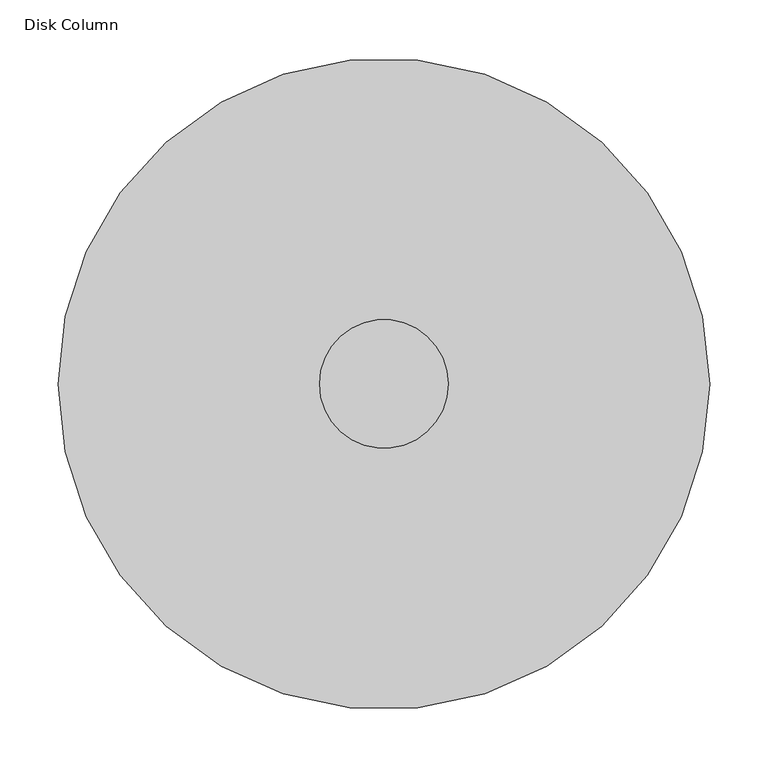
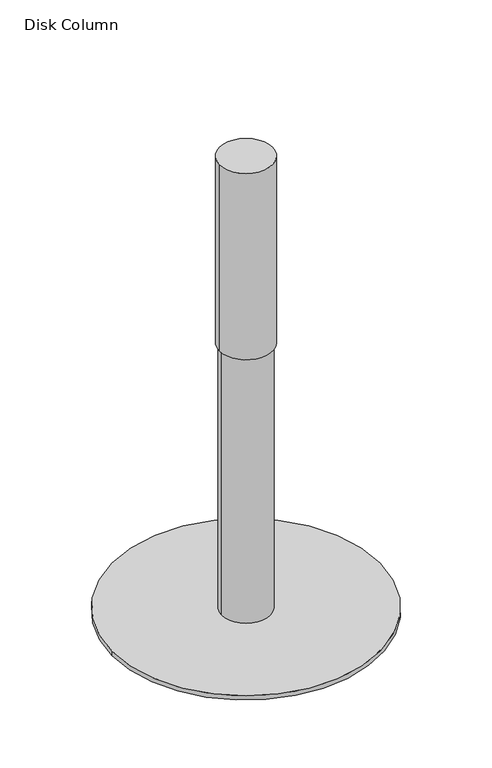
"""IFC4 building model written with IfcOpenShell, lengths in millimetres: furniture geometry, Disk Column."""

import ifcopenshell
import ifcopenshell.guid

model = None  # the IFC model being written
_history = None  # IfcOwnerHistory: only IFC2X3 demands one
_inside = {}  # id of a spatial element -> (the spatial element, [elements in it])
_under = {}  # id of a project, library or spatial element -> (it, [spatial elements below it])
_declared = {}  # id of a project -> (the project, [libraries it declares])
_typed = {}  # id of a type object -> (the type object, [elements of that type])
_made_of = {}  # id of a material, layer set ... -> (it, [elements and type objects made of it])


def new_model(schema):
    """Start an empty IFC model of exactly this schema.

    Asked for "IFC4X3", IfcOpenShell would pick the latest addendum, in which some entities
    have other attributes; the version numbers below select the first issue.
    IFC2X3 requires an IfcOwnerHistory on every rooted entity: one is made here for all.
    """
    global model, _history
    if schema == "IFC4X3":
        model = ifcopenshell.file(schema_version=(4, 3, 0, 0))
    else:
        model = ifcopenshell.file(schema=schema)
    _inside.clear()
    _under.clear()
    _declared.clear()
    _typed.clear()
    _made_of.clear()
    _history = None
    if model.schema == "IFC2X3":
        org = make("IfcOrganization", Name="unknown")
        user = make(
            "IfcPersonAndOrganization",
            ThePerson=make("IfcPerson", FamilyName="unknown"),
            TheOrganization=org,
        )
        app = make(
            "IfcApplication",
            ApplicationDeveloper=org,
            Version="unknown",
            ApplicationFullName="unknown",
            ApplicationIdentifier="unknown",
        )
        _history = make(
            "IfcOwnerHistory",
            OwningUser=user,
            OwningApplication=app,
            ChangeAction="ADDED",
            CreationDate=0,
        )
    return model


def make(cls, **values):
    """One entity of the class cls with the attributes given. An attribute that is None is left unset."""
    return model.create_entity(
        cls, **{name: value for name, value in values.items() if value is not None}
    )


def rooted(cls, **values):
    """An entity with a GlobalId (a new one), such as an element, a storey or a relation."""
    return make(cls, GlobalId=ifcopenshell.guid.new(), OwnerHistory=_history, **values)


def si_unit(unit_type, name, prefix=None):
    """IfcSIUnit, for example si_unit("LENGTHUNIT", "METRE", prefix="MILLI")."""
    return make("IfcSIUnit", UnitType=unit_type, Prefix=prefix, Name=name)


def assignment(units):
    """IfcUnitAssignment: the units of a project."""
    return None if units is None else make("IfcUnitAssignment", Units=units)


def point(xyz):
    """IfcCartesianPoint."""
    return None if xyz is None else make("IfcCartesianPoint", Coordinates=xyz)


def direction(xyz):
    """IfcDirection."""
    return None if xyz is None else make("IfcDirection", DirectionRatios=xyz)


def frame(location, z_axis=None, x_axis=None):
    """IfcAxis2Placement3D, a coordinate frame: its origin and axes. An axis left out is left unset."""
    return make(
        "IfcAxis2Placement3D",
        Location=point(location),
        Axis=direction(z_axis),
        RefDirection=direction(x_axis),
    )


def frame_2d(location, x_axis=None):
    """IfcAxis2Placement2D, a coordinate frame in the plane: its origin and x axis."""
    return make(
        "IfcAxis2Placement2D", Location=point(location), RefDirection=direction(x_axis)
    )


def origin():
    """The frame at (0, 0, 0) with its axes left unset."""
    return frame((0.0, 0.0, 0.0))


def origin_with_axes():
    """The frame at (0, 0, 0) with the z axis (0, 0, 1) and the x axis (1, 0, 0) written out."""
    return frame((0.0, 0.0, 0.0), z_axis=(0.0, 0.0, 1.0), x_axis=(1.0, 0.0, 0.0))


def place(relative_to, where):
    """IfcLocalPlacement: puts the frame where relative to a parent placement (None: the world)."""
    return make(
        "IfcLocalPlacement", PlacementRelTo=relative_to, RelativePlacement=where
    )


def context(
    kind, dimensions, precision=None, world=None, true_north=None, identifier=None
):
    """IfcGeometricRepresentationContext, for example the 3D "Model" context."""
    return make(
        "IfcGeometricRepresentationContext",
        ContextIdentifier=identifier,
        ContextType=kind,
        CoordinateSpaceDimension=dimensions,
        Precision=precision,
        WorldCoordinateSystem=world,
        TrueNorth=true_north,
    )


def project(units=None, contexts=None):
    """IfcProject with its units and contexts."""
    return rooted(
        "IfcProject",
        Name="project",
        RepresentationContexts=contexts,
        UnitsInContext=assignment(units),
    )


def spatial(cls, under=None, at=None, **own):
    """A site, building, storey or space (cls), placed at a placement, below another one or the project."""
    s = rooted(cls, ObjectPlacement=at, **own)
    if under is not None:
        _under.setdefault(under.id(), (under, []))[1].append(s)
    return s


def circle_curve(where, radius):
    """IfcCircle in the frame where."""
    return make("IfcCircle", Position=where, Radius=radius)


def trimmed(basis, trim1, trim2, sense, master):
    """IfcTrimmedCurve: the piece of a basis curve between two trims."""
    return make(
        "IfcTrimmedCurve",
        BasisCurve=basis,
        Trim1=trim1,
        Trim2=trim2,
        SenseAgreement=sense,
        MasterRepresentation=master,
    )


def segment(curve, same_sense, transition):
    """IfcCompositeCurveSegment."""
    return make(
        "IfcCompositeCurveSegment",
        Transition=transition,
        SameSense=same_sense,
        ParentCurve=curve,
    )


def composite_curve(segments, self_intersect=None):
    """IfcCompositeCurve: segments joined end to end."""
    return make("IfcCompositeCurve", Segments=segments, SelfIntersect=self_intersect)


def outline(outer, holes=None, kind="AREA"):
    """IfcArbitraryClosedProfileDef: a profile drawn as a closed curve; with holes, ...WithVoids."""
    if holes is None:
        return make("IfcArbitraryClosedProfileDef", ProfileType=kind, OuterCurve=outer)
    return make(
        "IfcArbitraryProfileDefWithVoids",
        ProfileType=kind,
        OuterCurve=outer,
        InnerCurves=holes,
    )


def extrude(swept, where, along, depth):
    """IfcExtrudedAreaSolid: the profile swept, set in the frame where, extruded along a direction by depth."""
    return make(
        "IfcExtrudedAreaSolid",
        SweptArea=swept,
        Position=where,
        ExtrudedDirection=direction(along),
        Depth=depth,
    )


def shape(context_of_items, identifier, shape_type, items):
    """IfcShapeRepresentation: the items that make up one representation, for example the "Body"."""
    return make(
        "IfcShapeRepresentation",
        ContextOfItems=context_of_items,
        RepresentationIdentifier=identifier,
        RepresentationType=shape_type,
        Items=items,
    )


def source(mapping_origin, context_of_items, identifier, shape_type, items):
    """IfcRepresentationMap: a shape defined once, which mapped items show again and again."""
    return make(
        "IfcRepresentationMap",
        MappingOrigin=mapping_origin,
        MappedRepresentation=shape(context_of_items, identifier, shape_type, items),
    )


def transform(
    local_origin,
    x_axis=None,
    y_axis=None,
    z_axis=None,
    scale=None,
    scale2=None,
    scale3=None,
    uniform=True,
):
    """IfcCartesianTransformationOperator3D, or its non-uniform kind. x_axis, y_axis, z_axis: its Axis1, 2, 3."""
    if uniform:
        return make(
            "IfcCartesianTransformationOperator3D",
            Axis1=direction(x_axis),
            Axis2=direction(y_axis),
            LocalOrigin=point(local_origin),
            Scale=scale,
            Axis3=direction(z_axis),
        )
    return make(
        "IfcCartesianTransformationOperator3DnonUniform",
        Axis1=direction(x_axis),
        Axis2=direction(y_axis),
        LocalOrigin=point(local_origin),
        Scale=scale,
        Axis3=direction(z_axis),
        Scale2=scale2,
        Scale3=scale3,
    )


def mapped(mapping_source, mapping_target):
    """IfcMappedItem: shows the shape of a source again, moved by a transform."""
    return make(
        "IfcMappedItem", MappingSource=mapping_source, MappingTarget=mapping_target
    )


def made_of(thing, what):
    """Note that an element or type object is made of a material, layer set ...; save() writes the relation."""
    if what is not None:
        _made_of.setdefault(what.id(), (what, []))[1].append(thing)
    return thing


def element(
    cls,
    number,
    at=None,
    inside=None,
    cuts=None,
    type_object=None,
    material=None,
    context=None,
    identifier="Body",
    shape_type=None,
    held_by="IfcProductDefinitionShape",
    body=None,
    shapes=None,
    **own,
):
    """One element of the class cls, such as IfcWall. Its Tag is "e" and its number.

    at: its placement. inside: the storey or other place that contains it. cuts: it is an
    opening in that element (IfcRelVoidsElement). A single representation is given by context,
    identifier, shape_type and body (its items); several are given by shapes. held_by: the class
    of the entity that holds the representations. save() writes the other relations.
    """
    e = rooted(cls, Tag="e%d" % number, ObjectPlacement=at, **own)
    if body is not None:
        shapes = [shape(context, identifier, shape_type, body)]
    if shapes is not None:
        e.Representation = make(held_by, Representations=shapes)
    if inside is not None:
        _inside.setdefault(inside.id(), (inside, []))[1].append(e)
    if cuts is not None:
        rooted(
            "IfcRelVoidsElement", RelatingBuildingElement=cuts, RelatedOpeningElement=e
        )
    if type_object is not None:
        _typed.setdefault(type_object.id(), (type_object, []))[1].append(e)
    return made_of(e, material)


def aggregate(whole, parts):
    """IfcRelAggregates: a whole, such as a stair, and the parts it consists of."""
    return rooted("IfcRelAggregates", RelatingObject=whole, RelatedObjects=parts)


def save(model, path):
    """Write the relations noted so far, then the file.

    IfcRelAggregates (storeys below a building ...), IfcRelContainedInSpatialStructure (elements
    in a storey), IfcRelDefinesByType, IfcRelAssociatesMaterial and IfcRelDeclares: one each for
    every whole, place, type object, material and project.
    """
    for whole, parts in _under.values():
        aggregate(whole, parts)
    for where, things in _inside.values():
        rooted(
            "IfcRelContainedInSpatialStructure",
            RelatedElements=things,
            RelatingStructure=where,
        )
    for kind, things in _typed.values():
        rooted("IfcRelDefinesByType", RelatedObjects=things, RelatingType=kind)
    for what, things in _made_of.values():
        rooted("IfcRelAssociatesMaterial", RelatedObjects=things, RelatingMaterial=what)
    for by, libraries in _declared.values():
        rooted("IfcRelDeclares", RelatingContext=by, RelatedDefinitions=libraries)
    model.write(path)


def disk_column_ef909bc9(model_context):
    return source(origin(), model_context, "Body", "SweptSolid", [
        extrude(outline(composite_curve([segment(trimmed(circle_curve(frame_2d((-16.4460781, 0.0)), 50.8), [point((-67.2460781, 0.0))], [point((34.3539219, 0.0))], False, "CARTESIAN"), True, "CONTINUOUS"), segment(trimmed(circle_curve(frame_2d((-16.4460781, 0.0)), 50.8), [point((34.3539219, 0.0))], [point((-67.2460781, 0.0))], False, "CARTESIAN"), True, "CONTINUOUS")], self_intersect=False)), frame((0.0, 0.0, 9.652), z_axis=(0.0, 0.0, 1.0), x_axis=(1.0, 0.0, 0.0)), (0.0, 0.0, 1.0), 584.2),
        extrude(outline(composite_curve([segment(trimmed(circle_curve(frame_2d((-16.4460781, 0.0)), 55.211139), [point((-71.6572171, 0.0))], [point((38.7650609, 0.0))], False, "CARTESIAN"), True, "CONTINUOUS"), segment(trimmed(circle_curve(frame_2d((-16.4460781, 0.0)), 55.211139), [point((38.7650609, 0.0))], [point((-71.6572171, 0.0))], False, "CARTESIAN"), True, "CONTINUOUS")], self_intersect=False)), frame((0.0, 0.0, 593.852), z_axis=(0.0, 0.0, 1.0), x_axis=(1.0, 0.0, 0.0)), (0.0, 0.0, 1.0), 411.038),
        extrude(outline(composite_curve([segment(trimmed(circle_curve(frame_2d((-16.4460781, 0.0)), 279.4), [point((-295.8460781, 0.0))], [point((262.9539219, 0.0))], False, "CARTESIAN"), True, "CONTINUOUS"), segment(trimmed(circle_curve(frame_2d((-16.4460781, 0.0)), 279.4), [point((262.9539219, 0.0))], [point((-295.8460781, 0.0))], False, "CARTESIAN"), True, "CONTINUOUS")], self_intersect=False)), origin_with_axes(), (0.0, 0.0, 1.0), 9.652),
    ])


if __name__ == "__main__":
    model = new_model("IFC4")
    model_context = context("Model", 3, world=origin())
    ifc_project = project(units=[si_unit("LENGTHUNIT", "METRE", prefix="MILLI")], contexts=[model_context])
    site = spatial("IfcSite", under=ifc_project)
    building = spatial("IfcBuilding", under=site)
    placement = place(None, origin())
    disk_column_shape = disk_column_ef909bc9(model_context)
    element("IfcFurniture", 1, ObjectType="Disk Column", at=placement, inside=building, context=model_context, shape_type="MappedRepresentation", body=[
        mapped(disk_column_shape, transform((0.0, 0.0, 0.0), x_axis=(1.0, 0.0, 0.0), y_axis=(0.0, 1.0, 0.0), z_axis=(0.0, 0.0, 1.0))),
    ])
    save(model, "model.ifc")
